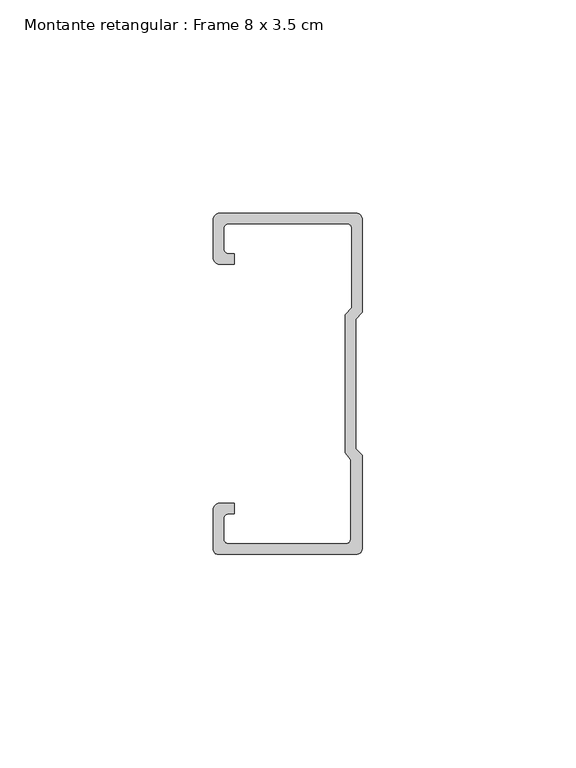
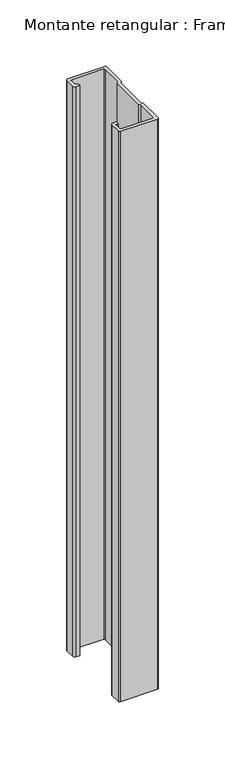
"""IFC4 building model written with IfcOpenShell, lengths in millimetres: member geometry, Montante retangular : Frame 8 x 3.5 cm."""

from ifc_helpers import new_model, si_unit, point, frame, frame_2d, origin, place, context, project, spatial, polyline, circle_curve, trimmed, segment, composite_curve, outline, extrude, source, transform, mapped, element, save


def montante_retangular_frame_8_x_3_5_cm_ab7669f0(model_context):
    return source(origin(), model_context, "Body", "SweptSolid", [
        extrude(outline(composite_curve([segment(polyline([(-17.5, 29.5276505), (-17.5, 38.5)]), True, "CONTINUOUS"), segment(trimmed(circle_curve(frame_2d((-16.0, 38.5)), 1.5), [point((-17.5, 38.5))], [point((-16.0, 40.0))], False, "CARTESIAN"), True, "CONTINUOUS"), segment(polyline([(-16.0, 40.0), (16.0, 40.0)]), True, "CONTINUOUS"), segment(trimmed(circle_curve(frame_2d((16.0, 38.5)), 1.5), [point((16.0, 40.0))], [point((17.5, 38.5))], False, "CARTESIAN"), True, "CONTINUOUS"), segment(polyline([(17.5, 38.5), (17.5, 16.7622662), (15.9122869, 15.174553), (15.9122869, -15.174553), (17.5, -16.7622662), (17.5, -38.5)]), True, "CONTINUOUS"), segment(trimmed(circle_curve(frame_2d((16.0, -38.5)), 1.5), [point((17.5, -38.5))], [point((16.0, -40.0))], False, "CARTESIAN"), True, "CONTINUOUS"), segment(polyline([(16.0, -40.0), (-16.3171833, -40.0)]), True, "CONTINUOUS"), segment(trimmed(circle_curve(frame_2d((-16.3171833, -38.8171833)), 1.1828167), [point((-16.3171833, -40.0))], [point((-17.5, -38.8171833))], False, "CARTESIAN"), True, "CONTINUOUS"), segment(polyline([(-17.5, -38.8171833), (-17.5, -29.5276505)]), True, "CONTINUOUS"), segment(trimmed(circle_curve(frame_2d((-16.0, -29.5276505)), 1.5), [point((-17.5, -29.5276505))], [point((-16.0, -28.0276505))], False, "CARTESIAN"), True, "CONTINUOUS"), segment(polyline([(-16.0, -28.0276505), (-12.5162256, -28.0276505), (-12.5162256, -30.5276505), (-14.0, -30.5276505)]), True, "CONTINUOUS"), segment(trimmed(circle_curve(frame_2d((-14.0, -31.5276505)), 1.0), [point((-14.0, -30.5276505))], [point((-15.0, -31.5276505))], True, "CARTESIAN"), True, "CONTINUOUS"), segment(polyline([(-15.0, -31.5276505), (-15.0, -36.5)]), True, "CONTINUOUS"), segment(trimmed(circle_curve(frame_2d((-14.0, -36.5)), 1.0), [point((-15.0, -36.5))], [point((-14.0, -37.5))], True, "CARTESIAN"), True, "CONTINUOUS"), segment(polyline([(-14.0, -37.5), (13.692786, -37.5)]), True, "CONTINUOUS"), segment(trimmed(circle_curve(frame_2d((13.692786, -36.5)), 1.0), [point((13.692786, -37.5))], [point((14.692786, -36.5))], True, "CARTESIAN"), True, "CONTINUOUS"), segment(polyline([(14.692786, -36.5), (14.692786, -17.7671948), (13.4122869, -16.1794816), (13.4122869, 16.2100869), (15.0, 17.7978001), (15.0, 36.5)]), True, "CONTINUOUS"), segment(trimmed(circle_curve(frame_2d((14.0, 36.5)), 1.0), [point((15.0, 36.5))], [point((14.0, 37.5))], True, "CARTESIAN"), True, "CONTINUOUS"), segment(polyline([(14.0, 37.5), (-14.0, 37.5)]), True, "CONTINUOUS"), segment(trimmed(circle_curve(frame_2d((-14.0, 36.5)), 1.0), [point((-14.0, 37.5))], [point((-15.0, 36.5))], True, "CARTESIAN"), True, "CONTINUOUS"), segment(polyline([(-15.0, 36.5), (-15.0, 31.5276505)]), True, "CONTINUOUS"), segment(trimmed(circle_curve(frame_2d((-14.0, 31.5276505)), 1.0), [point((-15.0, 31.5276505))], [point((-14.0, 30.5276505))], True, "CARTESIAN"), True, "CONTINUOUS"), segment(polyline([(-14.0, 30.5276505), (-12.5162256, 30.5276505), (-12.5162256, 28.0276505), (-16.0, 28.0276505)]), True, "CONTINUOUS"), segment(trimmed(circle_curve(frame_2d((-16.0, 29.5276505)), 1.5), [point((-16.0, 28.0276505))], [point((-17.5, 29.5276505))], False, "CARTESIAN"), True, "CONTINUOUS")], self_intersect=False)), frame((0.0, 0.0, -527.5), z_axis=(0.0, 0.0, 1.0), x_axis=(1.0, 0.0, 0.0)), (0.0, 0.0, 1.0), 527.5),
    ])


if __name__ == "__main__":
    model = new_model("IFC4")
    model_context = context("Model", 3, world=origin())
    ifc_project = project(units=[si_unit("LENGTHUNIT", "METRE", prefix="MILLI")], contexts=[model_context])
    site = spatial("IfcSite", under=ifc_project)
    building = spatial("IfcBuilding", under=site)
    placement = place(None, origin())
    montante_retangular_frame_8_x_3_5_cm_shape = montante_retangular_frame_8_x_3_5_cm_ab7669f0(model_context)
    element("IfcMember", 1, ObjectType="Montante retangular : Frame 8 x 3.5 cm", at=placement, inside=building, context=model_context, shape_type="MappedRepresentation", body=[
        mapped(montante_retangular_frame_8_x_3_5_cm_shape, transform((0.0, 0.0, 0.0), x_axis=(1.0, 0.0, 0.0), y_axis=(0.0, 1.0, 0.0), z_axis=(0.0, 0.0, 1.0))),
    ])
    save(model, "model.ifc")
